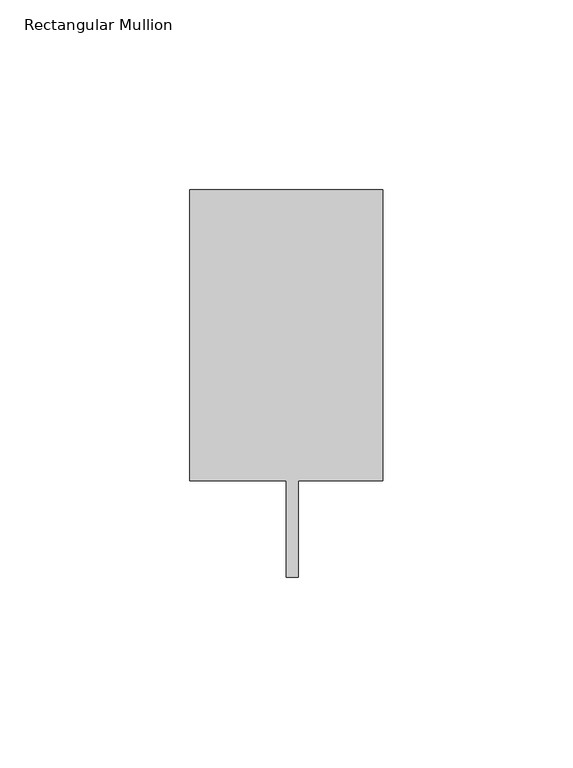
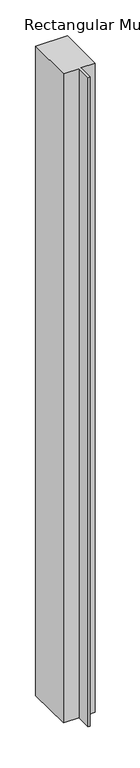
"""IFC4 building model written with IfcOpenShell, lengths in millimetres: member geometry, Rectangular Mullion."""

from ifc_helpers import new_model, si_unit, frame, origin, place, context, project, spatial, polyline, outline, extrude, source, transform, mapped, element, save


def rectangular_mullion_32856469(model_context):
    return source(origin(), model_context, "Body", "SweptSolid", [
        extrude(outline(polyline([(25.4, 89.296875), (25.4, 12.7), (3.175, 12.7), (3.175, -12.7), (0.0, -12.7), (0.0, 12.7), (-25.4, 12.7), (-25.4, 89.296875), (25.4, 89.296875)])), frame((0.0, 0.0, -1101.725), z_axis=(0.0, 0.0, 1.0), x_axis=(1.0, 0.0, 0.0)), (0.0, 0.0, 1.0), 1101.725),
    ])


if __name__ == "__main__":
    model = new_model("IFC4")
    model_context = context("Model", 3, world=origin())
    ifc_project = project(units=[si_unit("LENGTHUNIT", "METRE", prefix="MILLI")], contexts=[model_context])
    site = spatial("IfcSite", under=ifc_project)
    building = spatial("IfcBuilding", under=site)
    placement = place(None, origin())
    rectangular_mullion_shape = rectangular_mullion_32856469(model_context)
    element("IfcMember", 1, ObjectType="Rectangular Mullion", at=placement, inside=building, context=model_context, shape_type="MappedRepresentation", body=[
        mapped(rectangular_mullion_shape, transform((0.0, 0.0, 0.0), x_axis=(1.0, 0.0, 0.0), y_axis=(0.0, 1.0, 0.0), z_axis=(0.0, 0.0, 1.0))),
    ])
    save(model, "model.ifc")
